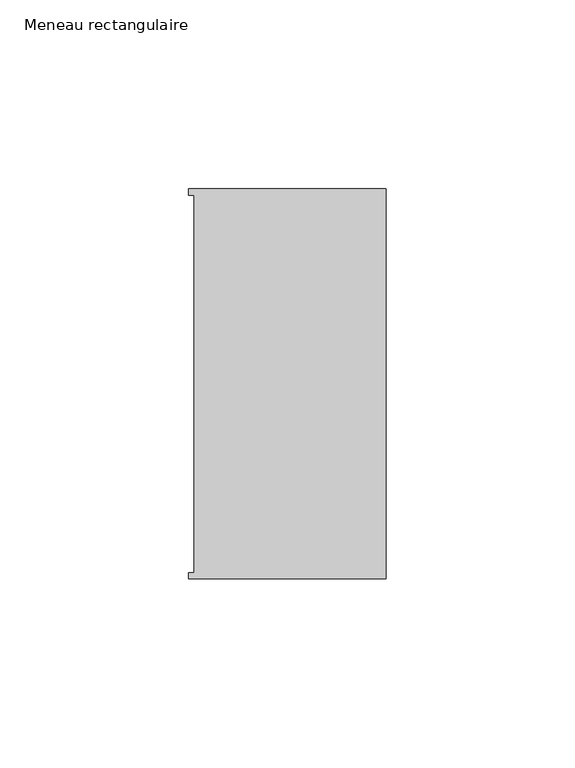
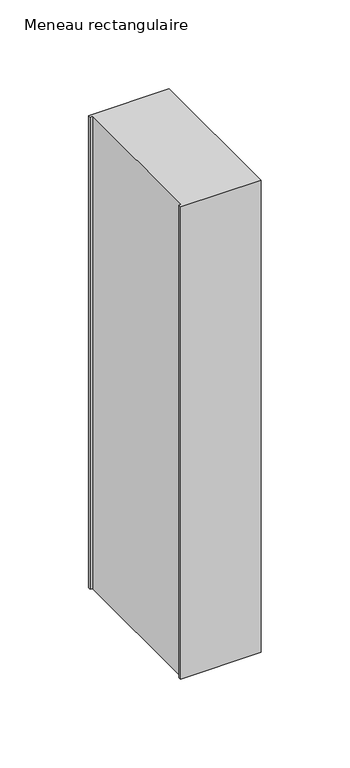
"""IFC4 building model written with IfcOpenShell, lengths in millimetres: member geometry, Meneau rectangulaire."""

from ifc_helpers import new_model, si_unit, frame, origin, place, context, project, spatial, polyline, outline, extrude, source, transform, mapped, element, save


def meneau_rectangulaire_7ebebf88(model_context):
    return source(origin(), model_context, "Body", "SweptSolid", [
        extrude(outline(polyline([(-52.3, 51.6531441), (0.0, 51.6531441), (0.0, -51.6130012), (-52.3, -51.6130012), (-52.3, -49.9174099), (-50.9, -49.9174099), (-50.9, 49.9174073), (-52.3, 49.9174073), (-52.3, 51.6531441)])), frame((0.0, 0.0, -324.4613815), z_axis=(0.0, 0.0, 1.0), x_axis=(1.0, 0.0, 0.0)), (0.0, 0.0, 1.0), 324.4613815),
    ])


if __name__ == "__main__":
    model = new_model("IFC4")
    model_context = context("Model", 3, world=origin())
    ifc_project = project(units=[si_unit("LENGTHUNIT", "METRE", prefix="MILLI")], contexts=[model_context])
    site = spatial("IfcSite", under=ifc_project)
    building = spatial("IfcBuilding", under=site)
    placement = place(None, origin())
    meneau_rectangulaire_shape = meneau_rectangulaire_7ebebf88(model_context)
    element("IfcMember", 1, ObjectType="Meneau rectangulaire", at=placement, inside=building, context=model_context, shape_type="MappedRepresentation", body=[
        mapped(meneau_rectangulaire_shape, transform((0.0, 0.0, 0.0), x_axis=(1.0, 0.0, 0.0), y_axis=(0.0, 1.0, 0.0), z_axis=(0.0, 0.0, 1.0))),
    ])
    save(model, "model.ifc")
